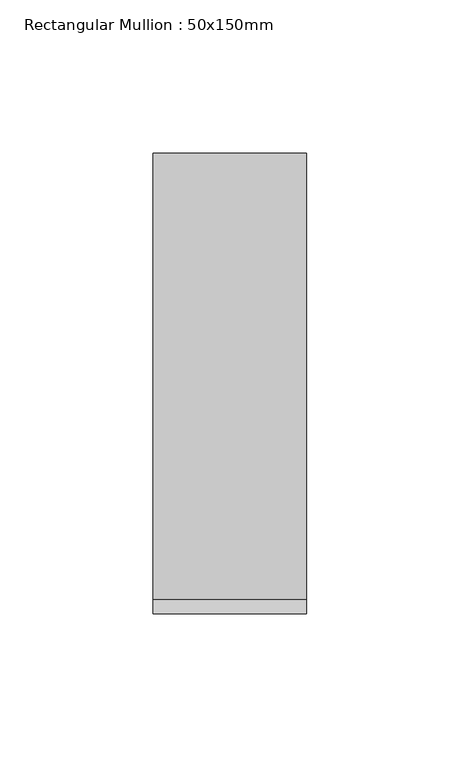
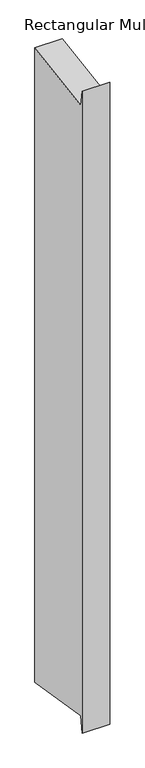
"""IFC4 building model written with IfcOpenShell, lengths in millimetres: member geometry, Rectangular Mullion : 50x150mm."""

import ifcopenshell
import ifcopenshell.guid

model = None  # the IFC model being written
_history = None  # IfcOwnerHistory: only IFC2X3 demands one
_inside = {}  # id of a spatial element -> (the spatial element, [elements in it])
_under = {}  # id of a project, library or spatial element -> (it, [spatial elements below it])
_declared = {}  # id of a project -> (the project, [libraries it declares])
_typed = {}  # id of a type object -> (the type object, [elements of that type])
_made_of = {}  # id of a material, layer set ... -> (it, [elements and type objects made of it])


def new_model(schema):
    """Start an empty IFC model of exactly this schema.

    Asked for "IFC4X3", IfcOpenShell would pick the latest addendum, in which some entities
    have other attributes; the version numbers below select the first issue.
    IFC2X3 requires an IfcOwnerHistory on every rooted entity: one is made here for all.
    """
    global model, _history
    if schema == "IFC4X3":
        model = ifcopenshell.file(schema_version=(4, 3, 0, 0))
    else:
        model = ifcopenshell.file(schema=schema)
    _inside.clear()
    _under.clear()
    _declared.clear()
    _typed.clear()
    _made_of.clear()
    _history = None
    if model.schema == "IFC2X3":
        org = make("IfcOrganization", Name="unknown")
        user = make(
            "IfcPersonAndOrganization",
            ThePerson=make("IfcPerson", FamilyName="unknown"),
            TheOrganization=org,
        )
        app = make(
            "IfcApplication",
            ApplicationDeveloper=org,
            Version="unknown",
            ApplicationFullName="unknown",
            ApplicationIdentifier="unknown",
        )
        _history = make(
            "IfcOwnerHistory",
            OwningUser=user,
            OwningApplication=app,
            ChangeAction="ADDED",
            CreationDate=0,
        )
    return model


def make(cls, **values):
    """One entity of the class cls with the attributes given. An attribute that is None is left unset."""
    return model.create_entity(
        cls, **{name: value for name, value in values.items() if value is not None}
    )


def rooted(cls, **values):
    """An entity with a GlobalId (a new one), such as an element, a storey or a relation."""
    return make(cls, GlobalId=ifcopenshell.guid.new(), OwnerHistory=_history, **values)


def si_unit(unit_type, name, prefix=None):
    """IfcSIUnit, for example si_unit("LENGTHUNIT", "METRE", prefix="MILLI")."""
    return make("IfcSIUnit", UnitType=unit_type, Prefix=prefix, Name=name)


def assignment(units):
    """IfcUnitAssignment: the units of a project."""
    return None if units is None else make("IfcUnitAssignment", Units=units)


def point(xyz):
    """IfcCartesianPoint."""
    return None if xyz is None else make("IfcCartesianPoint", Coordinates=xyz)


def direction(xyz):
    """IfcDirection."""
    return None if xyz is None else make("IfcDirection", DirectionRatios=xyz)


def frame(location, z_axis=None, x_axis=None):
    """IfcAxis2Placement3D, a coordinate frame: its origin and axes. An axis left out is left unset."""
    return make(
        "IfcAxis2Placement3D",
        Location=point(location),
        Axis=direction(z_axis),
        RefDirection=direction(x_axis),
    )


def origin():
    """The frame at (0, 0, 0) with its axes left unset."""
    return frame((0.0, 0.0, 0.0))


def place(relative_to, where):
    """IfcLocalPlacement: puts the frame where relative to a parent placement (None: the world)."""
    return make(
        "IfcLocalPlacement", PlacementRelTo=relative_to, RelativePlacement=where
    )


def context(
    kind, dimensions, precision=None, world=None, true_north=None, identifier=None
):
    """IfcGeometricRepresentationContext, for example the 3D "Model" context."""
    return make(
        "IfcGeometricRepresentationContext",
        ContextIdentifier=identifier,
        ContextType=kind,
        CoordinateSpaceDimension=dimensions,
        Precision=precision,
        WorldCoordinateSystem=world,
        TrueNorth=true_north,
    )


def project(units=None, contexts=None):
    """IfcProject with its units and contexts."""
    return rooted(
        "IfcProject",
        Name="project",
        RepresentationContexts=contexts,
        UnitsInContext=assignment(units),
    )


def spatial(cls, under=None, at=None, **own):
    """A site, building, storey or space (cls), placed at a placement, below another one or the project."""
    s = rooted(cls, ObjectPlacement=at, **own)
    if under is not None:
        _under.setdefault(under.id(), (under, []))[1].append(s)
    return s


def polyline(points):
    """IfcPolyline through the points."""
    return make("IfcPolyline", Points=[point(p) for p in points])


def outline(outer, holes=None, kind="AREA"):
    """IfcArbitraryClosedProfileDef: a profile drawn as a closed curve; with holes, ...WithVoids."""
    if holes is None:
        return make("IfcArbitraryClosedProfileDef", ProfileType=kind, OuterCurve=outer)
    return make(
        "IfcArbitraryProfileDefWithVoids",
        ProfileType=kind,
        OuterCurve=outer,
        InnerCurves=holes,
    )


def extrude(swept, where, along, depth):
    """IfcExtrudedAreaSolid: the profile swept, set in the frame where, extruded along a direction by depth."""
    return make(
        "IfcExtrudedAreaSolid",
        SweptArea=swept,
        Position=where,
        ExtrudedDirection=direction(along),
        Depth=depth,
    )


def shape(context_of_items, identifier, shape_type, items):
    """IfcShapeRepresentation: the items that make up one representation, for example the "Body"."""
    return make(
        "IfcShapeRepresentation",
        ContextOfItems=context_of_items,
        RepresentationIdentifier=identifier,
        RepresentationType=shape_type,
        Items=items,
    )


def source(mapping_origin, context_of_items, identifier, shape_type, items):
    """IfcRepresentationMap: a shape defined once, which mapped items show again and again."""
    return make(
        "IfcRepresentationMap",
        MappingOrigin=mapping_origin,
        MappedRepresentation=shape(context_of_items, identifier, shape_type, items),
    )


def transform(
    local_origin,
    x_axis=None,
    y_axis=None,
    z_axis=None,
    scale=None,
    scale2=None,
    scale3=None,
    uniform=True,
):
    """IfcCartesianTransformationOperator3D, or its non-uniform kind. x_axis, y_axis, z_axis: its Axis1, 2, 3."""
    if uniform:
        return make(
            "IfcCartesianTransformationOperator3D",
            Axis1=direction(x_axis),
            Axis2=direction(y_axis),
            LocalOrigin=point(local_origin),
            Scale=scale,
            Axis3=direction(z_axis),
        )
    return make(
        "IfcCartesianTransformationOperator3DnonUniform",
        Axis1=direction(x_axis),
        Axis2=direction(y_axis),
        LocalOrigin=point(local_origin),
        Scale=scale,
        Axis3=direction(z_axis),
        Scale2=scale2,
        Scale3=scale3,
    )


def mapped(mapping_source, mapping_target):
    """IfcMappedItem: shows the shape of a source again, moved by a transform."""
    return make(
        "IfcMappedItem", MappingSource=mapping_source, MappingTarget=mapping_target
    )


def made_of(thing, what):
    """Note that an element or type object is made of a material, layer set ...; save() writes the relation."""
    if what is not None:
        _made_of.setdefault(what.id(), (what, []))[1].append(thing)
    return thing


def element(
    cls,
    number,
    at=None,
    inside=None,
    cuts=None,
    type_object=None,
    material=None,
    context=None,
    identifier="Body",
    shape_type=None,
    held_by="IfcProductDefinitionShape",
    body=None,
    shapes=None,
    **own,
):
    """One element of the class cls, such as IfcWall. Its Tag is "e" and its number.

    at: its placement. inside: the storey or other place that contains it. cuts: it is an
    opening in that element (IfcRelVoidsElement). A single representation is given by context,
    identifier, shape_type and body (its items); several are given by shapes. held_by: the class
    of the entity that holds the representations. save() writes the other relations.
    """
    e = rooted(cls, Tag="e%d" % number, ObjectPlacement=at, **own)
    if body is not None:
        shapes = [shape(context, identifier, shape_type, body)]
    if shapes is not None:
        e.Representation = make(held_by, Representations=shapes)
    if inside is not None:
        _inside.setdefault(inside.id(), (inside, []))[1].append(e)
    if cuts is not None:
        rooted(
            "IfcRelVoidsElement", RelatingBuildingElement=cuts, RelatedOpeningElement=e
        )
    if type_object is not None:
        _typed.setdefault(type_object.id(), (type_object, []))[1].append(e)
    return made_of(e, material)


def aggregate(whole, parts):
    """IfcRelAggregates: a whole, such as a stair, and the parts it consists of."""
    return rooted("IfcRelAggregates", RelatingObject=whole, RelatedObjects=parts)


def save(model, path):
    """Write the relations noted so far, then the file.

    IfcRelAggregates (storeys below a building ...), IfcRelContainedInSpatialStructure (elements
    in a storey), IfcRelDefinesByType, IfcRelAssociatesMaterial and IfcRelDeclares: one each for
    every whole, place, type object, material and project.
    """
    for whole, parts in _under.values():
        aggregate(whole, parts)
    for where, things in _inside.values():
        rooted(
            "IfcRelContainedInSpatialStructure",
            RelatedElements=things,
            RelatingStructure=where,
        )
    for kind, things in _typed.values():
        rooted("IfcRelDefinesByType", RelatedObjects=things, RelatingType=kind)
    for what, things in _made_of.values():
        rooted("IfcRelAssociatesMaterial", RelatedObjects=things, RelatingMaterial=what)
    for by, libraries in _declared.values():
        rooted("IfcRelDeclares", RelatingContext=by, RelatedDefinitions=libraries)
    model.write(path)


def rectangular_mullion_50x150mm_04ed0a4f(model_context):
    return source(origin(), model_context, "Body", "SweptSolid", [
        extrude(outline(polyline([(-75.0, 19.097372), (-70.1657639, -11.4247934), (75.0, 11.5672049), (75.0, -1213.0429252), (-70.1657639, -1190.0509269), (-75.0, -1220.5730923), (-75.0, 19.097372)])), frame((-50.0, 0.0, 0.0), z_axis=(1.0, 0.0, 0.0), x_axis=(0.0, 1.0, 0.0)), (0.0, 0.0, 1.0), 50.0),
    ])


if __name__ == "__main__":
    model = new_model("IFC4")
    model_context = context("Model", 3, world=origin())
    ifc_project = project(units=[si_unit("LENGTHUNIT", "METRE", prefix="MILLI")], contexts=[model_context])
    site = spatial("IfcSite", under=ifc_project)
    building = spatial("IfcBuilding", under=site)
    placement = place(None, origin())
    rectangular_mullion_50x150mm_shape = rectangular_mullion_50x150mm_04ed0a4f(model_context)
    element("IfcMember", 1, ObjectType="Rectangular Mullion : 50x150mm", at=placement, inside=building, context=model_context, shape_type="MappedRepresentation", body=[
        mapped(rectangular_mullion_50x150mm_shape, transform((0.0, 0.0, 0.0), x_axis=(1.0, 0.0, 0.0), y_axis=(0.0, 1.0, 0.0), z_axis=(0.0, 0.0, 1.0))),
    ])
    save(model, "model.ifc")
